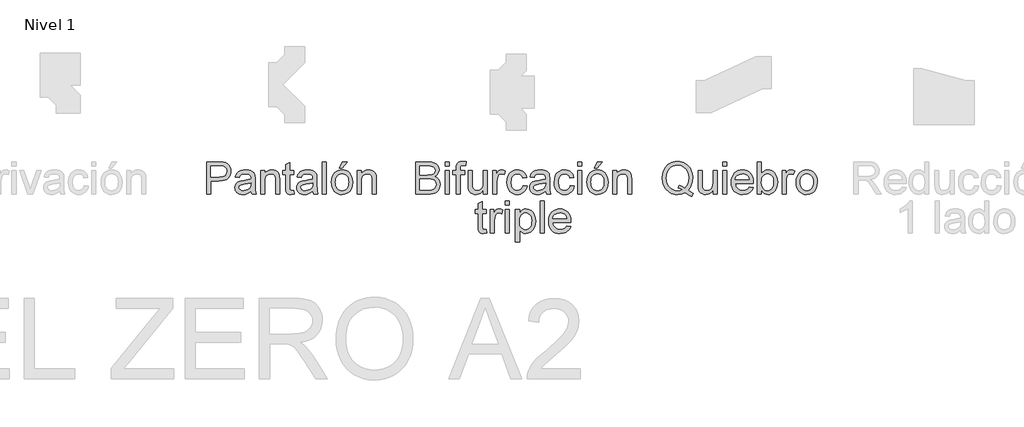
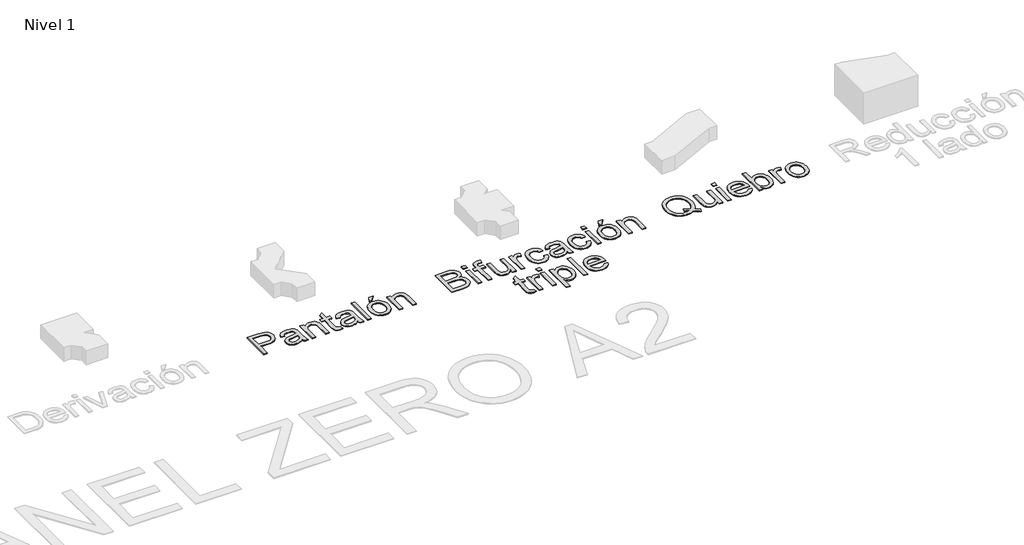
# One storey, part 4 of 6: 3 proxies.
"""IFC4 building model written with IfcOpenShell, lengths in millimetres."""

from ifc_helpers import new_model, si_unit, origin, origin_with_axes, place, context, project, spatial, polyline, outline, extrude, element, save

model = new_model("IFC4")

# Units and contexts
model_context = context("Model", 3, world=origin())
ifc_project = project(units=[si_unit("LENGTHUNIT", "METRE", prefix="MILLI")], contexts=[model_context])

# Site, building, storey
site = spatial("IfcSite", under=ifc_project)
building = spatial("IfcBuilding", under=site)
storey = spatial("IfcBuildingStorey", under=building, Name="Nivel 1", Elevation=0.0)

# Proxies
placement = place(None, origin())
element("IfcBuildingElementProxy", 1, Name="Texto de modelo 1", ObjectType="Texto de modelo 1", at=placement, inside=storey, context=model_context, shape_type="SweptSolid", body=[
    extrude(outline(polyline([(-3306.4154032, -1016.3248037), (-3306.4154032, -614.4995631), (-3157.4967716, -614.4995631), (-3097.4584299, -618.3255358), (-3070.6888834, -625.4747093), (-3048.6527519, -637.1120431), (-3030.908577, -653.7648347), (-3017.0149003, -675.9603818), (-3008.0385796, -702.1413171), (-3005.0464728, -730.7502736), (-3007.066758, -755.4167613), (-3013.1276139, -778.1089491), (-3023.2290404, -798.8268368), (-3037.3710374, -817.5704244), (-3056.7860097, -833.1073074), (-3082.7063619, -844.2050809), (-3115.1320941, -850.863745), (-3154.0632063, -853.0832997), (-3256.1872481, -853.0832997), (-3256.1872481, -1016.3248037), (-3306.4154032, -1016.3248037)]), holes=[polyline([(-3256.1872481, -802.8551446), (-3151.1201503, -802.8551446), (-3106.5819034, -798.244357), (-3089.9781627, -792.4808724), (-3077.1513438, -784.4119939), (-3067.5802806, -774.2523195), (-3060.7438068, -762.2164469), (-3055.2746278, -732.5161071), (-3058.4997267, -709.9526781), (-3068.1750231, -690.9209162), (-3083.0987694, -676.5980439), (-3102.0692176, -668.1612835), (-3152.2973727, -664.7277182), (-3256.1872481, -664.7277182), (-3256.1872481, -802.8551446)])]), origin_with_axes(), (0.0, 0.0, 1.0), 10.0),
    extrude(outline(polyline([(-2753.9056974, -978.6536874), (-2777.9038662, -999.2305537), (-2802.6132735, -1012.6950347), (-2828.5980051, -1020.126251), (-2856.4221467, -1022.6033231), (-2878.7863063, -1021.113401), (-2898.3974824, -1016.6436348), (-2915.2556748, -1009.1940244), (-2929.3608836, -998.7645698), (-2940.498511, -986.0174587), (-2948.4539592, -971.6148785), (-2953.227228, -955.5568295), (-2954.8183177, -937.8433114), (-2952.414822, -917.0211905), (-2945.2043349, -898.1120559), (-2934.0820359, -881.9252481), (-2919.9431045, -869.2701075), (-2903.3271011, -859.7051756), (-2884.7735858, -852.7889941), (-2841.3144594, -845.2351505), (-2789.9581329, -837.2888994), (-2754.200003, -827.9692222), (-2753.9056974, -816.7856095), (-2757.3637881, -794.3693333), (-2767.7380604, -779.7031044), (-2790.9391516, -768.8137973), (-2823.2637162, -765.1840283), (-2853.1847851, -767.5997868), (-2874.0804825, -774.8470621), (-2888.3297784, -788.2502294), (-2898.3116432, -809.133664), (-2948.5397983, -802.8551446), (-2939.820995, -775.3866223), (-2926.8102351, -753.8042119), (-2908.293508, -737.2985731), (-2883.0568032, -725.0603654), (-2852.1915038, -717.4819963), (-2816.7889931, -714.9558732), (-2782.8334849, -717.1876907), (-2755.9167856, -723.883143), (-2735.6219622, -733.9508469), (-2721.5320818, -746.2994192), (-2712.1878791, -761.566522), (-2706.1300889, -780.3898175), (-2703.6775423, -824.3394531), (-2703.6775423, -886.8303414), (-2701.1268938, -974.0919506), (-2691.1205035, -1016.3248037), (-2741.3486586, -1016.3248037), (-2749.3930116, -998.8626717), (-2753.9056974, -978.6536874)]), holes=[polyline([(-2753.9056974, -878.1973772), (-2787.6527391, -886.5605613), (-2834.9378382, -893.5993701), (-2878.1517099, -901.7418249), (-2889.3966362, -907.3091058), (-2897.723032, -914.9855768), (-2902.87338, -924.1826266), (-2904.5901626, -934.3116442), (-2900.850029, -949.2476532), (-2889.6296281, -961.4858609), (-2871.1742147, -969.6528412), (-2845.7290434, -972.375168), (-2818.7510304, -969.3707984), (-2794.9122771, -960.3576895), (-2775.5862096, -947.0771495), (-2762.1462541, -931.2704864), (-2756.1865657, -914.9855768), (-2754.200003, -892.4221477), (-2753.9056974, -878.1973772)])]), origin_with_axes(), (0.0, 0.0, 1.0), 10.0),
    extrude(outline(polyline([(-2634.6138291, -1016.3248037), (-2634.6138291, -721.2343926), (-2584.385674, -721.2343926), (-2584.385674, -762.4371761), (-2566.9358047, -741.6641061), (-2545.9787937, -726.826199), (-2521.514641, -717.9234547), (-2493.5433467, -714.9558732), (-2468.7848884, -717.3471062), (-2446.1110947, -724.5208051), (-2427.2019602, -735.5817904), (-2413.7374792, -749.6348827), (-2404.601743, -766.6432936), (-2398.6788428, -786.570235), (-2396.0300925, -835.1306583), (-2396.0300925, -1016.3248037), (-2446.2582475, -1016.3248037), (-2446.2582475, -841.899687), (-2447.7052501, -815.9272182), (-2452.0462576, -797.459542), (-2460.0538224, -784.2280529), (-2472.5004965, -773.9641453), (-2488.4543124, -767.3790576), (-2506.9833022, -765.1840283), (-2536.4015991, -770.1136471), (-2561.4788884, -784.9025033), (-2571.5006071, -796.9751641), (-2578.6589776, -813.4746716), (-2582.9539999, -834.4010257), (-2584.385674, -859.7542265), (-2584.385674, -1016.3248037), (-2634.6138291, -1016.3248037)])), origin_with_axes(), (0.0, 0.0, 1.0), 10.0),
    extrude(outline(polyline([(-2220.2315497, -974.4353072), (-2213.9530303, -1017.7963317), (-2251.5260448, -1022.6033231), (-2275.6345782, -1020.5186584), (-2293.611745, -1014.2646645), (-2306.3159366, -1004.6261562), (-2314.6055442, -992.3879485), (-2319.1672809, -971.3696239), (-2320.6878599, -935.3907648), (-2320.6878599, -771.4625477), (-2358.3589762, -771.4625477), (-2358.3589762, -721.2343926), (-2320.6878599, -721.2343926), (-2320.6878599, -649.521929), (-2270.4597048, -619.9932676), (-2270.4597048, -721.2343926), (-2220.2315497, -721.2343926), (-2220.2315497, -771.4625477), (-2270.4597048, -771.4625477), (-2270.4597048, -933.9192368), (-2267.8109544, -959.8181292), (-2259.2270412, -968.9906536), (-2242.1082657, -972.375168), (-2220.2315497, -974.4353072)])), origin_with_axes(), (0.0, 0.0, 1.0), 10.0),
    extrude(outline(polyline([(-1981.6478131, -978.6536874), (-2005.6459819, -999.2305537), (-2030.3553893, -1012.6950347), (-2056.3401209, -1020.126251), (-2084.1642624, -1022.6033231), (-2106.528422, -1021.113401), (-2126.1395981, -1016.6436348), (-2142.9977905, -1009.1940244), (-2157.1029993, -998.7645698), (-2168.2406267, -986.0174587), (-2176.1960749, -971.6148785), (-2180.9693438, -955.5568295), (-2182.5604334, -937.8433114), (-2180.1569377, -917.0211905), (-2172.9464506, -898.1120559), (-2161.8241516, -881.9252481), (-2147.6852203, -869.2701075), (-2131.0692168, -859.7051756), (-2112.5157015, -852.7889941), (-2069.0565752, -845.2351505), (-2017.7002486, -837.2888994), (-1981.9421187, -827.9692222), (-1981.6478131, -816.7856095), (-1985.1059039, -794.3693333), (-1995.4801761, -779.7031044), (-2018.6812673, -768.8137973), (-2051.0058319, -765.1840283), (-2080.9269009, -767.5997868), (-2101.8225982, -774.8470621), (-2116.0718941, -788.2502294), (-2126.0537589, -809.133664), (-2176.281914, -802.8551446), (-2167.5631107, -775.3866223), (-2154.5523508, -753.8042119), (-2136.0356237, -737.2985731), (-2110.7989189, -725.0603654), (-2079.9336195, -717.4819963), (-2044.5311088, -714.9558732), (-2010.5756007, -717.1876907), (-1983.6589013, -723.883143), (-1963.3640779, -733.9508469), (-1949.2741975, -746.2994192), (-1939.9299948, -761.566522), (-1933.8722047, -780.3898175), (-1931.419658, -824.3394531), (-1931.419658, -886.8303414), (-1928.8690095, -974.0919506), (-1918.8626193, -1016.3248037), (-1969.0907743, -1016.3248037), (-1977.1351273, -998.8626717), (-1981.6478131, -978.6536874)]), holes=[polyline([(-1981.6478131, -878.1973772), (-2015.3948548, -886.5605613), (-2062.6799539, -893.5993701), (-2105.8938256, -901.7418249), (-2117.1387519, -907.3091058), (-2125.4651478, -914.9855768), (-2130.6154957, -924.1826266), (-2132.3322783, -934.3116442), (-2128.5921447, -949.2476532), (-2117.3717439, -961.4858609), (-2098.9163304, -969.6528412), (-2073.4711591, -972.375168), (-2046.4931461, -969.3707984), (-2022.6543928, -960.3576895), (-2003.3283254, -947.0771495), (-1989.8883698, -931.2704864), (-1983.9286815, -914.9855768), (-1981.9421187, -892.4221477), (-1981.6478131, -878.1973772)])]), origin_with_axes(), (0.0, 0.0, 1.0), 10.0),
    extrude(outline(polyline([(-1862.3559448, -1016.3248037), (-1862.3559448, -614.4995631), (-1812.1277897, -614.4995631), (-1812.1277897, -1016.3248037), (-1862.3559448, -1016.3248037)])), origin_with_axes(), (0.0, 0.0, 1.0), 10.0),
    extrude(outline(polyline([(-1655.1648051, -689.8417957), (-1617.4936888, -614.4995631), (-1554.708495, -614.4995631), (-1617.4936888, -689.8417957), (-1655.1648051, -689.8417957)])), origin_with_axes(), (0.0, 0.0, 1.0), 10.0),
    extrude(outline(polyline([(-1749.3425959, -868.7795982), (-1746.6264005, -830.5627902), (-1738.4778143, -797.6312203), (-1724.8968373, -769.9848884), (-1705.8834695, -747.6237944), (-1686.741343, -733.3315789), (-1665.6126538, -723.1228535), (-1642.4974017, -716.9976183), (-1617.3955869, -714.9558732), (-1589.6848757, -717.4421424), (-1564.6290461, -724.9009498), (-1542.2280983, -737.3322956), (-1522.4820322, -754.7361797), (-1506.3657351, -776.5239908), (-1494.8540944, -802.1071179), (-1487.9471099, -831.4855609), (-1485.6447817, -864.6593198), (-1489.7160092, -915.4025097), (-1501.9296914, -954.0301192), (-1521.9302092, -982.9579067), (-1549.3619433, -1004.6016308), (-1581.9440253, -1018.1029), (-1617.3955869, -1022.6033231), (-1645.5109684, -1020.126251), (-1670.7997899, -1012.6950347), (-1693.2620514, -1000.3096742), (-1712.8977529, -982.9701695), (-1728.8423717, -960.9708262), (-1740.2313851, -934.6059498), (-1747.0647932, -903.8755405), (-1749.3425959, -868.7795982)]), holes=[polyline([(-1699.1144408, -868.6814963), (-1697.6613069, -893.0444814), (-1693.3019053, -914.1394482), (-1686.0362359, -931.9663965), (-1675.8642987, -946.5253265), (-1663.4912009, -957.8346321), (-1649.6220497, -965.9127076), (-1634.2568451, -970.7595529), (-1617.3955869, -972.375168), (-1600.620168, -970.7503559), (-1585.316277, -965.8759194), (-1571.4839139, -957.7518587), (-1559.1230789, -946.3781737), (-1548.9511417, -931.6751566), (-1541.6854723, -913.5630997), (-1537.3260707, -892.042003), (-1535.8729368, -867.1118665), (-1537.3352677, -843.5214335), (-1541.7222605, -822.9782898), (-1549.0339152, -805.4824352), (-1559.2702317, -791.0338698), (-1571.677052, -779.7245642), (-1585.500218, -771.6464887), (-1600.7397296, -766.7996434), (-1617.3955869, -765.1840283), (-1634.2568451, -766.793512), (-1649.6220497, -771.6219632), (-1663.4912009, -779.6693819), (-1675.8642987, -790.935768), (-1686.0362359, -805.4517784), (-1693.3019053, -823.2480699), (-1697.6613069, -844.3246425), (-1699.1144408, -868.6814963)])]), origin_with_axes(), (0.0, 0.0, 1.0), 10.0),
    extrude(outline(polyline([(-1429.1381073, -1016.3248037), (-1429.1381073, -721.2343926), (-1378.9099522, -721.2343926), (-1378.9099522, -762.4371761), (-1361.4600829, -741.6641061), (-1340.5030719, -726.826199), (-1316.0389192, -717.9234547), (-1288.0676249, -714.9558732), (-1263.3091666, -717.3471062), (-1240.635373, -724.5208051), (-1221.7262384, -735.5817904), (-1208.2617574, -749.6348827), (-1199.1260212, -766.6432936), (-1193.203121, -786.570235), (-1190.5543707, -835.1306583), (-1190.5543707, -1016.3248037), (-1240.7825257, -1016.3248037), (-1240.7825257, -841.899687), (-1242.2295283, -815.9272182), (-1246.5705358, -797.459542), (-1254.5781006, -784.2280529), (-1267.0247747, -773.9641453), (-1282.9785906, -767.3790576), (-1301.5075804, -765.1840283), (-1330.9258773, -770.1136471), (-1356.0031666, -784.9025033), (-1366.0248853, -796.9751641), (-1373.1832558, -813.4746716), (-1377.4782781, -834.4010257), (-1378.9099522, -859.7542265), (-1378.9099522, -1016.3248037), (-1429.1381073, -1016.3248037)])), origin_with_axes(), (0.0, 0.0, 1.0), 10.0),
])
element("IfcBuildingElementProxy", 2, Name="Texto de modelo 1", ObjectType="Texto de modelo 1", at=placement, inside=storey, context=model_context, shape_type="SweptSolid", body=[
    extrude(outline(polyline([(2702.1788661, -968.1567878), (2734.6260581, -992.9520343), (2764.4735506, -1010.0462843), (2750.9354932, -1046.8344838), (2709.5119805, -1027.6310437), (2668.2356207, -999.8436903), (2621.759862, -1016.9134149), (2570.6242646, -1022.6033231), (2544.3145706, -1020.9631825), (2519.2434126, -1016.0427608), (2495.4107907, -1007.842058), (2472.8167048, -996.3610741), (2452.1080142, -981.909443), (2433.931578, -964.7967989), (2418.2873961, -945.0231417), (2405.1754687, -922.5884713), (2394.8103935, -898.072202), (2387.4067683, -872.0537479), (2381.4838682, -815.5102853), (2387.3945056, -758.9177717), (2394.7828023, -732.6172747), (2405.1264177, -707.6472843), (2418.1984913, -684.7926153), (2433.7721624, -664.8380828), (2451.8474311, -647.7836866), (2472.4242974, -633.6294268), (2494.9018873, -622.5132592), (2518.6793269, -614.5731395), (2543.7566163, -609.8090677), (2570.1337553, -608.2210437), (2596.7346892, -609.8458559), (2621.9928539, -614.7202923), (2645.9082493, -622.844353), (2668.4808754, -634.218038), (2689.0792014, -648.5163849), (2707.0716966, -665.4144312), (2722.4583611, -684.912177), (2735.2391947, -707.0096222), (2745.2823732, -731.1549438), (2752.4560721, -756.7963188), (2758.1950312, -812.5672293), (2754.712415, -858.9448862), (2744.2645664, -900.3683988), (2726.7779089, -936.7887163), (2702.1788661, -968.1567878)]), holes=[polyline([(2584.4566277, -901.3494175), (2626.6894807, -917.3154961), (2660.7798789, -939.5110431), (2681.4241902, -916.2118501), (2696.1701269, -887.7132582), (2705.0176888, -854.0152674), (2707.9668762, -815.1178778), (2703.7975469, -770.9107247), (2691.2895591, -732.6632599), (2670.749481, -701.3442394), (2642.483881, -677.9224191), (2608.4057455, -663.3175039), (2570.4280609, -658.4491988), (2541.7823162, -660.9109425), (2515.68722, -668.2961735), (2492.1427723, -680.6048919), (2471.1489731, -697.8370977), (2453.8953076, -719.9560027), (2441.5712607, -746.9248186), (2434.1768326, -778.7435455), (2431.7120233, -815.4121834), (2434.1492415, -851.1243281), (2441.4608961, -882.4280202), (2453.6469872, -909.3232597), (2470.7075147, -931.8100467), (2491.5572268, -949.5572873), (2515.1108716, -962.2338877), (2541.368449, -969.8398479), (2570.329959, -972.375168), (2598.2154143, -969.799994), (2624.3840869, -962.0744721), (2598.6568727, -948.708093), (2571.5071814, -939.8053487), (2584.4566277, -901.3494175)])]), origin_with_axes(), (0.0, 0.0, 1.0), 10.0),
    extrude(outline(polyline([(3015.614326, -1016.3248037), (3015.614326, -965.6061393), (2997.4409554, -990.5424072), (2976.275478, -1008.3540271), (2952.1178936, -1019.0409991), (2924.9682024, -1022.6033231), (2900.5040497, -1020.1017255), (2877.7321542, -1012.5969328), (2858.6268159, -1001.3152183), (2845.1623349, -987.4828553), (2836.1001751, -970.6829108), (2830.2018004, -950.498452), (2827.2587445, -903.8019641), (2827.2587445, -721.2343926), (2877.4868995, -721.2343926), (2877.4868995, -880.1594145), (2880.5280574, -931.3685883), (2887.8489091, -948.4505756), (2900.3936851, -961.43681), (2917.3285196, -969.6405785), (2937.8195468, -972.375168), (2959.4877963, -969.5792648), (2979.7580942, -961.1915554), (2996.4721995, -947.9845917), (3007.4718712, -930.7309262), (3013.5787123, -907.1006393), (3015.614326, -874.763812), (3015.614326, -721.2343926), (3065.8424811, -721.2343926), (3065.8424811, -1016.3248037), (3015.614326, -1016.3248037)])), origin_with_axes(), (0.0, 0.0, 1.0), 10.0),
    extrude(outline(polyline([(3134.9061943, -664.7277182), (3134.9061943, -614.4995631), (3185.1343494, -614.4995631), (3185.1343494, -664.7277182), (3134.9061943, -664.7277182)])), origin_with_axes(), (0.0, 0.0, 1.0), 10.0),
    extrude(outline(polyline([(3134.9061943, -1016.3248037), (3134.9061943, -721.2343926), (3185.1343494, -721.2343926), (3185.1343494, -1016.3248037), (3134.9061943, -1016.3248037)])), origin_with_axes(), (0.0, 0.0, 1.0), 10.0),
    extrude(outline(polyline([(3467.0791105, -928.4255323), (3516.3262469, -934.7040517), (3508.775469, -954.428658), (3498.582072, -971.8110823), (3485.7460561, -986.8513245), (3470.2674211, -999.5493847), (3452.3055827, -1009.6354827), (3432.0199563, -1016.8398385), (3384.4773398, -1022.6033231), (3353.3116035, -1020.1170539), (3325.5426442, -1012.6582465), (3301.170462, -1000.2269007), (3280.1950569, -982.8230167), (3263.3276675, -960.9309723), (3251.2795321, -935.0351455), (3244.0506509, -905.1355363), (3241.6410238, -871.2321448), (3244.0751764, -836.179122), (3251.377634, -805.2831658), (3263.5483966, -778.5442761), (3280.5874644, -755.962453), (3301.5076872, -738.0220743), (3325.321915, -725.2075182), (3352.0301479, -717.5187845), (3381.6323857, -714.9558732), (3410.2811961, -717.5126531), (3436.1892856, -725.1829927), (3459.3566543, -737.966892), (3479.783302, -755.8643511), (3496.4575535, -778.3971233), (3508.3677331, -805.0869621), (3515.5138408, -835.9338674), (3517.8958767, -870.9378392), (3517.6015712, -884.4758966), (3291.8691789, -884.4758966), (3294.7785124, -904.519334), (3300.5634567, -922.0734365), (3309.224012, -937.1382042), (3320.7601783, -949.7136371), (3334.5342933, -959.6280569), (3349.908695, -966.7097853), (3385.4583585, -972.375168), (3412.1911168, -969.7509431), (3434.7054949, -961.8782684), (3453.0014928, -948.2666346), (3467.0791105, -928.4255323)]), holes=[polyline([(3291.8691789, -834.2477415), (3467.6677217, -834.2477415), (3460.8741675, -807.711187), (3447.5568393, -788.728476), (3433.8593663, -778.4277801), (3418.2734325, -771.0701402), (3400.7990377, -766.6555563), (3381.436182, -765.1840283), (3347.5787757, -769.8806551), (3319.5829559, -783.9705355), (3300.1219983, -805.9330907), (3291.8691789, -834.2477415)])]), origin_with_axes(), (0.0, 0.0, 1.0), 10.0),
    extrude(outline(polyline([(3618.3521869, -1016.3248037), (3568.1240318, -1016.3248037), (3568.1240318, -614.4995631), (3618.3521869, -614.4995631), (3618.3521869, -763.5162966), (3634.8700885, -742.2711114), (3653.5217056, -727.0959791), (3674.3070384, -717.9908997), (3697.2260867, -714.9558732), (3723.1004537, -717.6904627), (3747.5523436, -725.8942312), (3769.1838049, -739.0521439), (3786.596886, -756.649166), (3800.245308, -778.5136193), (3810.5827921, -804.4738254), (3817.0943034, -833.4506639), (3819.2648072, -864.3650142), (3817.0176613, -900.037305), (3810.2762238, -931.4176392), (3799.0404945, -958.5060168), (3783.3104735, -981.3024378), (3764.4289301, -999.3715751), (3743.7386336, -1012.2781017), (3721.2395839, -1020.0220177), (3696.9317811, -1022.6033231), (3673.2585747, -1019.273991), (3652.2709069, -1009.2859949), (3633.9687776, -992.6393346), (3618.3521869, -969.3340102), (3618.3521869, -1016.3248037)]), holes=[polyline([(3618.3521869, -866.719459), (3621.7857522, -908.6089555), (3632.0864481, -936.9603946), (3644.2572107, -952.454358), (3658.4022734, -963.5214747), (3674.5216362, -970.1617447), (3692.615299, -972.375168), (3707.6371471, -970.7442245), (3721.6044002, -965.851394), (3734.5170582, -957.6966764), (3746.3751212, -946.2800718), (3756.289541, -931.632237), (3763.3712694, -913.7838289), (3767.6203064, -892.7348474), (3769.0366521, -868.4852926), (3763.6042613, -822.5245686), (3756.8137728, -804.7313428), (3747.3070889, -790.3962077), (3735.8751559, -779.3658792), (3723.3089201, -771.4870732), (3709.6083815, -766.7597895), (3694.77354, -765.1840283), (3679.7516919, -766.8149718), (3665.7844388, -771.7078024), (3652.8717808, -779.8625199), (3641.0137178, -791.2791245), (3631.099298, -805.7798065), (3624.0175696, -823.1867562), (3619.7685326, -843.4999737), (3618.3521869, -866.719459)])]), origin_with_axes(), (0.0, 0.0, 1.0), 10.0),
    extrude(outline(polyline([(3875.7714817, -1016.3248037), (3875.7714817, -721.2343926), (3919.7211173, -721.2343926), (3919.7211173, -764.8897227), (3935.9569761, -739.5794415), (3950.9175105, -724.6679579), (3965.9270959, -717.3838944), (3982.3101075, -714.9558732), (4007.3260831, -718.8308969), (4032.7344663, -730.455968), (4015.9590473, -775.4847242), (3998.3007115, -767.7592023), (3980.6423757, -765.1840283), (3965.6450531, -767.6611004), (3952.2418857, -775.0923167), (3941.4138923, -786.9135915), (3934.1420916, -802.560839), (3928.0352504, -830.6179725), (3925.9996367, -861.2257545), (3925.9996367, -1016.3248037), (3875.7714817, -1016.3248037)])), origin_with_axes(), (0.0, 0.0, 1.0), 10.0),
    extrude(outline(polyline([(4051.5700244, -868.7795982), (4054.2862198, -830.5627902), (4062.434806, -797.6312203), (4076.015783, -769.9848884), (4095.0291508, -747.6237944), (4114.1712773, -733.3315789), (4135.2999665, -723.1228535), (4158.4152185, -716.9976183), (4183.5170334, -714.9558732), (4211.2277446, -717.4421424), (4236.2835742, -724.9009498), (4258.684522, -737.3322956), (4278.4305881, -754.7361797), (4294.5468852, -776.5239908), (4306.0585259, -802.1071179), (4312.9655104, -831.4855609), (4315.2678386, -864.6593198), (4311.1966111, -915.4025097), (4298.9829289, -954.0301192), (4278.9824111, -982.9579067), (4251.550677, -1004.6016308), (4218.968595, -1018.1029), (4183.5170334, -1022.6033231), (4155.4016519, -1020.126251), (4130.1128304, -1012.6950347), (4107.6505689, -1000.3096742), (4088.0148674, -982.9701695), (4072.0702486, -960.9708262), (4060.6812352, -934.6059498), (4053.8478271, -903.8755405), (4051.5700244, -868.7795982)]), holes=[polyline([(4101.7981795, -868.6814963), (4103.2513134, -893.0444814), (4107.610715, -914.1394482), (4114.8763844, -931.9663965), (4125.0483216, -946.5253265), (4137.4214194, -957.8346321), (4151.2905706, -965.9127076), (4166.6557752, -970.7595529), (4183.5170334, -972.375168), (4200.2924523, -970.7503559), (4215.5963433, -965.8759194), (4229.4287064, -957.7518587), (4241.7895414, -946.3781737), (4251.9614786, -931.6751566), (4259.227148, -913.5630997), (4263.5865496, -892.042003), (4265.0396835, -867.1118665), (4263.5773526, -843.5214335), (4259.1903598, -822.9782898), (4251.8787051, -805.4824352), (4241.6423886, -791.0338698), (4229.2355683, -779.7245642), (4215.4124023, -771.6464887), (4200.1728907, -766.7996434), (4183.5170334, -765.1840283), (4166.6557752, -766.793512), (4151.2905706, -771.6219632), (4137.4214194, -779.6693819), (4125.0483216, -790.935768), (4114.8763844, -805.4517784), (4107.610715, -823.2480699), (4103.2513134, -844.3246425), (4101.7981795, -868.6814963)])]), origin_with_axes(), (0.0, 0.0, 1.0), 10.0),
])
element("IfcBuildingElementProxy", 3, Name="Texto de modelo 1", ObjectType="Texto de modelo 1", at=placement, inside=storey, context=model_context, shape_type="SweptSolid", body=[
    extrude(outline(polyline([(-695.2272949, -1016.3248037), (-695.2272949, -614.4995631), (-541.8940793, -614.4995631), (-499.7225399, -617.4548818), (-466.7971013, -626.3208379), (-441.5603965, -641.3181605), (-422.4550582, -662.667579), (-410.4253169, -687.7816565), (-406.4154032, -714.0729565), (-409.7876548, -738.267329), (-419.9044097, -761.014699), (-436.8392442, -780.917115), (-460.6657348, -796.5766252), (-432.2039311, -811.4390578), (-411.1733437, -834.0515378), (-398.1871092, -862.9180117), (-393.8583644, -896.5424261), (-396.8136831, -924.5627714), (-405.6796392, -950.547503), (-418.9111283, -972.6449481), (-434.963046, -989.0034342), (-454.6202073, -1000.8492344), (-478.6674271, -1009.4086222), (-507.8895202, -1014.5957583), (-543.0713017, -1016.3248037), (-695.2272949, -1016.3248037)]), holes=[polyline([(-644.9991398, -777.7410671), (-553.2738957, -777.7410671), (-499.7102772, -773.424585), (-480.9605582, -765.981106), (-467.4838144, -754.8342815), (-459.3536223, -740.1557899), (-456.6435583, -722.1173094), (-459.1696813, -704.6061264), (-466.7480504, -689.3512864), (-479.035309, -677.4441725), (-495.6881007, -669.976168), (-521.2436366, -666.0398306), (-560.2391281, -664.7277182), (-644.9991398, -664.7277182), (-644.9991398, -777.7410671)]), polyline([(-644.9991398, -966.0966486), (-541.9921812, -966.0966486), (-504.7134723, -964.1346113), (-473.1737226, -953.1962533), (-461.5977025, -943.7662115), (-452.2780253, -930.8780789), (-446.1343959, -915.1082041), (-444.0865195, -897.0329354), (-446.4900152, -876.0391362), (-453.7005023, -857.988393), (-466.2943293, -843.8739871), (-484.8478446, -834.6891999), (-511.1268818, -829.6492166), (-546.8972744, -827.9692222), (-644.9991398, -827.9692222), (-644.9991398, -966.0966486)])]), origin_with_axes(), (0.0, 0.0, 1.0), 10.0),
    extrude(outline(polyline([(-331.0731706, -664.7277182), (-331.0731706, -614.4995631), (-280.8450155, -614.4995631), (-280.8450155, -664.7277182), (-331.0731706, -664.7277182)])), origin_with_axes(), (0.0, 0.0, 1.0), 10.0),
    extrude(outline(polyline([(-331.0731706, -1016.3248037), (-331.0731706, -721.2343926), (-280.8450155, -721.2343926), (-280.8450155, -1016.3248037), (-331.0731706, -1016.3248037)])), origin_with_axes(), (0.0, 0.0, 1.0), 10.0),
    extrude(outline(polyline([(-192.9457441, -1016.3248037), (-192.9457441, -771.4625477), (-236.8953798, -771.4625477), (-236.8953798, -721.2343926), (-192.9457441, -721.2343926), (-192.9457441, -691.5095274), (-191.621369, -666.9104847), (-187.6482434, -649.6200309), (-177.5437513, -632.9181883), (-161.9455547, -619.698962), (-140.1178896, -611.0905233), (-111.3249921, -608.2210437), (-65.511421, -613.7147482), (-72.8690609, -660.8036436), (-101.8091112, -658.4491988), (-120.9021867, -660.5338634), (-133.4469628, -666.7878573), (-140.3999325, -678.7317595), (-142.7175891, -697.8861487), (-142.7175891, -721.2343926), (-86.2109146, -721.2343926), (-86.2109146, -771.4625477), (-142.7175891, -771.4625477), (-142.7175891, -1016.3248037), (-192.9457441, -1016.3248037)])), origin_with_axes(), (0.0, 0.0, 1.0), 10.0),
    extrude(outline(polyline([(146.0943026, -1016.3248037), (146.0943026, -965.6061393), (127.9209321, -990.5424072), (106.7554546, -1008.3540271), (82.5978703, -1019.0409991), (55.448179, -1022.6033231), (30.9840263, -1020.1017255), (8.2121308, -1012.5969328), (-10.8932075, -1001.3152183), (-24.3576885, -987.4828553), (-33.4198483, -970.6829108), (-39.3182229, -950.498452), (-42.2612789, -903.8019641), (-42.2612789, -721.2343926), (7.9668762, -721.2343926), (7.9668762, -880.1594145), (11.008034, -931.3685883), (18.3288857, -948.4505756), (30.8736617, -961.43681), (47.8084962, -969.6405785), (68.2995234, -972.375168), (89.9677729, -969.5792648), (110.2380708, -961.1915554), (126.9521761, -947.9845917), (137.9518478, -930.7309262), (144.0586889, -907.1006393), (146.0943026, -874.763812), (146.0943026, -721.2343926), (196.3224577, -721.2343926), (196.3224577, -1016.3248037), (146.0943026, -1016.3248037)])), origin_with_axes(), (0.0, 0.0, 1.0), 10.0),
    extrude(outline(polyline([(265.3861709, -1016.3248037), (265.3861709, -721.2343926), (309.3358066, -721.2343926), (309.3358066, -764.8897227), (325.5716653, -739.5794415), (340.5321998, -724.6679579), (355.5417852, -717.3838944), (371.9247967, -714.9558732), (396.9407724, -718.8308969), (422.3491555, -730.455968), (405.5737366, -775.4847242), (387.9154008, -767.7592023), (370.257065, -765.1840283), (355.2597423, -767.6611004), (341.856575, -775.0923167), (331.0285816, -786.9135915), (323.7567808, -802.560839), (317.6499397, -830.6179725), (315.614326, -861.2257545), (315.614326, -1016.3248037), (265.3861709, -1016.3248037)])), origin_with_axes(), (0.0, 0.0, 1.0), 10.0),
    extrude(outline(polyline([(642.097334, -909.5899742), (692.3254891, -915.8684935), (686.8624414, -939.5692911), (678.3214478, -960.5416305), (666.7025081, -978.7855118), (652.0056224, -994.3009349), (634.8500587, -1006.6832297), (615.855085, -1015.527726), (595.0207013, -1020.8344238), (572.3469077, -1022.6033231), (544.1763439, -1020.135448), (518.9181793, -1012.7318229), (496.5724137, -1000.3924476), (477.1390473, -983.1173223), (461.4090264, -961.2314092), (450.1732971, -935.059671), (443.4318595, -904.6021074), (441.1847137, -869.8587187), (445.0229492, -825.1610563), (456.5376556, -786.4230822), (475.912774, -755.1408499), (503.3322454, -732.8104127), (536.1350566, -719.4195081), (571.6601946, -714.9558732), (593.9446465, -716.4887149), (614.1015142, -721.0872398), (632.1307976, -728.7514481), (648.0324968, -739.4813396), (661.5368317, -753.0316597), (672.3740222, -769.1571539), (680.5440682, -787.857822), (686.0469697, -809.133664), (635.8188146, -815.4121834), (626.7076039, -793.4986792), (612.5196216, -777.790118), (594.0396827, -768.3355507), (572.0526021, -765.1840283), (554.9859432, -766.7352641), (539.5931474, -771.3889713), (525.8742147, -779.14515), (513.829145, -790.0038003), (504.0220241, -804.216308), (497.0169378, -822.0340593), (492.813886, -843.4570542), (491.4128688, -868.4852926), (496.8943105, -915.5619252), (503.7461126, -933.4992382), (513.3386357, -947.7025489), (525.144582, -958.4968197), (538.6366542, -966.2070132), (553.8148522, -970.8331293), (570.679176, -972.375168), (596.688433, -968.5246698), (618.013326, -956.9731751), (633.5256835, -937.4263785), (642.097334, -909.5899742)])), origin_with_axes(), (0.0, 0.0, 1.0), 10.0),
    extrude(outline(polyline([(924.6307063, -978.6536874), (900.6325375, -999.2305537), (875.9231301, -1012.6950347), (849.9383985, -1020.126251), (822.114257, -1022.6033231), (799.7500973, -1021.113401), (780.1389213, -1016.6436348), (763.2807289, -1009.1940244), (749.17552, -998.7645698), (738.0378926, -986.0174587), (730.0824445, -971.6148785), (725.3091756, -955.5568295), (723.718086, -937.8433114), (726.1215817, -917.0211905), (733.3320688, -898.1120559), (744.4543678, -881.9252481), (758.5932991, -869.2701075), (775.2093026, -859.7051756), (793.7628179, -852.7889941), (837.2219442, -845.2351505), (888.5782708, -837.2888994), (924.3364007, -827.9692222), (924.6307063, -816.7856095), (921.1726155, -794.3693333), (910.7983433, -779.7031044), (887.5972521, -768.8137973), (855.2726875, -765.1840283), (825.3516185, -767.5997868), (804.4559212, -774.8470621), (790.2066252, -788.2502294), (780.2247604, -809.133664), (729.9966054, -802.8551446), (738.7154087, -775.3866223), (751.7261685, -753.8042119), (770.2428956, -737.2985731), (795.4796005, -725.0603654), (826.3448999, -717.4819963), (861.7474106, -714.9558732), (895.7029187, -717.1876907), (922.619618, -723.883143), (942.9144414, -733.9508469), (957.0043219, -746.2994192), (966.3485245, -761.566522), (972.4063147, -780.3898175), (974.8588614, -824.3394531), (974.8588614, -886.8303414), (977.4095099, -974.0919506), (987.4159001, -1016.3248037), (937.1877451, -1016.3248037), (929.1433921, -998.8626717), (924.6307063, -978.6536874)]), holes=[polyline([(924.6307063, -878.1973772), (890.8836646, -886.5605613), (843.5985655, -893.5993701), (800.3846938, -901.7418249), (789.1397675, -907.3091058), (780.8133716, -914.9855768), (775.6630237, -924.1826266), (773.9462411, -934.3116442), (777.6863747, -949.2476532), (788.9067755, -961.4858609), (807.362189, -969.6528412), (832.8073603, -972.375168), (859.7853733, -969.3707984), (883.6241266, -960.3576895), (902.950194, -947.0771495), (916.3901496, -931.2704864), (922.3498379, -914.9855768), (924.3364007, -892.4221477), (924.6307063, -878.1973772)])]), origin_with_axes(), (0.0, 0.0, 1.0), 10.0),
    extrude(outline(polyline([(1232.2781561, -909.5899742), (1282.5063112, -915.8684935), (1277.0432636, -939.5692911), (1268.5022699, -960.5416305), (1256.8833302, -978.7855118), (1242.1864445, -994.3009349), (1225.0308808, -1006.6832297), (1206.0359071, -1015.527726), (1185.2015235, -1020.8344238), (1162.5277298, -1022.6033231), (1134.357166, -1020.135448), (1109.0990014, -1012.7318229), (1086.7532359, -1000.3924476), (1067.3198695, -983.1173223), (1051.5898485, -961.2314092), (1040.3541192, -935.059671), (1033.6126817, -904.6021074), (1031.3655358, -869.8587187), (1035.2037713, -825.1610563), (1046.7184777, -786.4230822), (1066.0935962, -755.1408499), (1093.5130675, -732.8104127), (1126.3158788, -719.4195081), (1161.8410168, -714.9558732), (1184.1254686, -716.4887149), (1204.2823363, -721.0872398), (1222.3116197, -728.7514481), (1238.213319, -739.4813396), (1251.7176539, -753.0316597), (1262.5548443, -769.1571539), (1270.7248903, -787.857822), (1276.2277918, -809.133664), (1225.9996367, -815.4121834), (1216.888426, -793.4986792), (1202.7004437, -777.790118), (1184.2205048, -768.3355507), (1162.2334242, -765.1840283), (1145.1667653, -766.7352641), (1129.7739695, -771.3889713), (1116.0550368, -779.14515), (1104.0099671, -790.0038003), (1094.2028463, -804.216308), (1087.19776, -822.0340593), (1082.9947082, -843.4570542), (1081.5936909, -868.4852926), (1087.0751326, -915.5619252), (1093.9269348, -933.4992382), (1103.5194578, -947.7025489), (1115.3254042, -958.4968197), (1128.8174763, -966.2070132), (1143.9956743, -970.8331293), (1160.8599981, -972.375168), (1186.8692552, -968.5246698), (1208.1941482, -956.9731751), (1223.7065056, -937.4263785), (1232.2781561, -909.5899742)])), origin_with_axes(), (0.0, 0.0, 1.0), 10.0),
    extrude(outline(polyline([(1326.4559469, -664.7277182), (1326.4559469, -614.4995631), (1376.684102, -614.4995631), (1376.684102, -664.7277182), (1326.4559469, -664.7277182)])), origin_with_axes(), (0.0, 0.0, 1.0), 10.0),
    extrude(outline(polyline([(1326.4559469, -1016.3248037), (1326.4559469, -721.2343926), (1376.684102, -721.2343926), (1376.684102, -1016.3248037), (1326.4559469, -1016.3248037)])), origin_with_axes(), (0.0, 0.0, 1.0), 10.0),
    extrude(outline(polyline([(1533.6470866, -689.8417957), (1571.3182029, -614.4995631), (1634.1033967, -614.4995631), (1571.3182029, -689.8417957), (1533.6470866, -689.8417957)])), origin_with_axes(), (0.0, 0.0, 1.0), 10.0),
    extrude(outline(polyline([(1439.4692958, -868.7795982), (1442.1854912, -830.5627902), (1450.3340774, -797.6312203), (1463.9150544, -769.9848884), (1482.9284222, -747.6237944), (1502.0705486, -733.3315789), (1523.1992379, -723.1228535), (1546.3144899, -716.9976183), (1571.4163047, -714.9558732), (1599.127016, -717.4421424), (1624.1828456, -724.9009498), (1646.5837934, -737.3322956), (1666.3298595, -754.7361797), (1682.4461566, -776.5239908), (1693.9577973, -802.1071179), (1700.8647818, -831.4855609), (1703.1671099, -864.6593198), (1699.0958825, -915.4025097), (1686.8822003, -954.0301192), (1666.8816825, -982.9579067), (1639.4499484, -1004.6016308), (1606.8678663, -1018.1029), (1571.4163047, -1022.6033231), (1543.3009233, -1020.126251), (1518.0121018, -1012.6950347), (1495.5498403, -1000.3096742), (1475.9141388, -982.9701695), (1459.96952, -960.9708262), (1448.5805065, -934.6059498), (1441.7470985, -903.8755405), (1439.4692958, -868.7795982)]), holes=[polyline([(1489.6974509, -868.6814963), (1491.1505848, -893.0444814), (1495.5099864, -914.1394482), (1502.7756558, -931.9663965), (1512.947593, -946.5253265), (1525.3206907, -957.8346321), (1539.189842, -965.9127076), (1554.5550466, -970.7595529), (1571.4163047, -972.375168), (1588.1917237, -970.7503559), (1603.4956147, -965.8759194), (1617.3279777, -957.7518587), (1629.6888128, -946.3781737), (1639.8607499, -931.6751566), (1647.1264193, -913.5630997), (1651.485821, -892.042003), (1652.9389549, -867.1118665), (1651.4766239, -843.5214335), (1647.0896311, -822.9782898), (1639.7779765, -805.4824352), (1629.54166, -791.0338698), (1617.1348397, -779.7245642), (1603.3116737, -771.6464887), (1588.0721621, -766.7996434), (1571.4163047, -765.1840283), (1554.5550466, -766.793512), (1539.189842, -771.6219632), (1525.3206907, -779.6693819), (1512.947593, -790.935768), (1502.7756558, -805.4517784), (1495.5099864, -823.2480699), (1491.1505848, -844.3246425), (1489.6974509, -868.6814963)])]), origin_with_axes(), (0.0, 0.0, 1.0), 10.0),
    extrude(outline(polyline([(1759.6737844, -1016.3248037), (1759.6737844, -721.2343926), (1809.9019395, -721.2343926), (1809.9019395, -762.4371761), (1827.3518088, -741.6641061), (1848.3088198, -726.826199), (1872.7729725, -717.9234547), (1900.7442668, -714.9558732), (1925.5027251, -717.3471062), (1948.1765187, -724.5208051), (1967.0856533, -735.5817904), (1980.5501343, -749.6348827), (1989.6858705, -766.6432936), (1995.6087706, -786.570235), (1998.257521, -835.1306583), (1998.257521, -1016.3248037), (1948.0293659, -1016.3248037), (1948.0293659, -841.899687), (1946.5823634, -815.9272182), (1942.2413559, -797.459542), (1934.2337911, -784.2280529), (1921.7871169, -773.9641453), (1905.8333011, -767.3790576), (1887.3043113, -765.1840283), (1857.8860144, -770.1136471), (1832.808725, -784.9025033), (1822.7870064, -796.9751641), (1815.6286359, -813.4746716), (1811.3336136, -834.4010257), (1809.9019395, -859.7542265), (1809.9019395, -1016.3248037), (1759.6737844, -1016.3248037)])), origin_with_axes(), (0.0, 0.0, 1.0), 10.0),
    extrude(outline(polyline([(183.7654189, -1462.3345786), (190.0439383, -1505.6956031), (152.4709239, -1510.5025945), (128.3623905, -1508.4179298), (110.3852236, -1502.1639359), (97.6810321, -1492.5254276), (89.3914244, -1480.2872199), (84.8296877, -1459.2688953), (83.3091088, -1423.2900361), (83.3091088, -1259.3618191), (45.6379925, -1259.3618191), (45.6379925, -1209.133664), (83.3091088, -1209.133664), (83.3091088, -1137.4212004), (133.5372639, -1107.8925389), (133.5372639, -1209.133664), (183.7654189, -1209.133664), (183.7654189, -1259.3618191), (133.5372639, -1259.3618191), (133.5372639, -1421.8185082), (136.1860142, -1447.7174006), (144.7699274, -1456.889925), (161.8887029, -1460.2744394), (183.7654189, -1462.3345786)])), origin_with_axes(), (0.0, 0.0, 1.0), 10.0),
    extrude(outline(polyline([(233.993574, -1504.2240751), (233.993574, -1209.133664), (277.9432097, -1209.133664), (277.9432097, -1252.7889941), (294.1790684, -1227.4787128), (309.1396029, -1212.5672293), (324.1491883, -1205.2831658), (340.5321998, -1202.8551446), (365.5481755, -1206.7301683), (390.9565586, -1218.3552394), (374.1811396, -1263.3839956), (356.5228039, -1255.6584737), (338.8644681, -1253.0832997), (323.8671454, -1255.5603718), (310.4639781, -1262.9915881), (299.6359847, -1274.8128629), (292.3641839, -1290.4601104), (286.2573428, -1318.5172439), (284.2217291, -1349.1250259), (284.2217291, -1504.2240751), (233.993574, -1504.2240751)])), origin_with_axes(), (0.0, 0.0, 1.0), 10.0),
    extrude(outline(polyline([(422.3491555, -1504.2240751), (422.3491555, -1209.133664), (472.5773106, -1209.133664), (472.5773106, -1504.2240751), (422.3491555, -1504.2240751)])), origin_with_axes(), (0.0, 0.0, 1.0), 10.0),
    extrude(outline(polyline([(422.3491555, -1152.6269896), (422.3491555, -1102.3988345), (472.5773106, -1102.3988345), (472.5773106, -1152.6269896), (422.3491555, -1152.6269896)])), origin_with_axes(), (0.0, 0.0, 1.0), 10.0),
    extrude(outline(polyline([(547.9195432, -1617.237424), (547.9195432, -1209.133664), (598.1476983, -1209.133664), (598.1476983, -1258.3808004), (614.5307098, -1234.088326), (632.8757586, -1216.7365586), (654.2619653, -1206.3254981), (679.7684503, -1202.8551446), (713.7362212, -1207.711187), (743.4365609, -1222.279314), (767.6186707, -1245.6766089), (785.0317518, -1277.0201549), (795.5531769, -1314.0290836), (799.0603186, -1354.4225266), (795.0994558, -1397.3788809), (783.2168673, -1435.798024), (763.792698, -1467.7301812), (737.2070925, -1491.2255779), (706.2436912, -1505.6833403), (673.6861346, -1510.5025945), (650.5954081, -1507.2774956), (629.9817536, -1497.6021992), (612.3356806, -1482.997284), (598.1476983, -1464.9833289), (598.1476983, -1617.237424), (547.9195432, -1617.237424)]), holes=[polyline([(598.1476983, -1359.0333143), (603.5800891, -1404.0620705), (610.3705776, -1421.4996771), (619.8772615, -1435.5527693), (643.9244812, -1454.0940219), (657.6863335, -1458.729335), (672.6070141, -1460.2744394), (687.7422925, -1458.6741527), (701.7555309, -1453.8732927), (714.6467291, -1445.8718593), (726.4158873, -1434.6698525), (736.2230081, -1420.1078569), (743.2280945, -1402.0264568), (747.4311463, -1380.4256523), (748.8321635, -1355.3054434), (743.3629845, -1310.5219419), (736.5265108, -1292.9494452), (726.9554475, -1278.5897847), (702.945016, -1259.459921), (689.3395135, -1254.677455), (674.6671533, -1253.0832997), (660.0407783, -1254.7786226), (646.278926, -1259.8645911), (621.3487895, -1280.2084655), (611.1983121, -1295.3069557), (603.9479711, -1313.4772606), (599.5977665, -1334.7193801), (598.1476983, -1359.0333143)])]), origin_with_axes(), (0.0, 0.0, 1.0), 10.0),
    extrude(outline(polyline([(855.5669931, -1504.2240751), (855.5669931, -1102.3988345), (905.7951481, -1102.3988345), (905.7951481, -1504.2240751), (855.5669931, -1504.2240751)])), origin_with_axes(), (0.0, 0.0, 1.0), 10.0),
    extrude(outline(polyline([(1187.7399092, -1416.3248037), (1236.9870457, -1422.6033231), (1229.4362677, -1442.3279294), (1219.2428708, -1459.7103537), (1206.4068548, -1474.7505959), (1190.9282199, -1487.4486561), (1172.9663814, -1497.5347541), (1152.6807551, -1504.7391099), (1105.1381386, -1510.5025945), (1073.9724022, -1508.0163253), (1046.203443, -1500.5575179), (1021.8312608, -1488.1261721), (1000.8558557, -1470.722288), (983.9884662, -1448.8302437), (971.9403309, -1422.9344169), (964.7114497, -1393.0348077), (962.3018226, -1359.1314162), (964.7359751, -1324.0783934), (972.0384327, -1293.1824372), (984.2091954, -1266.4435475), (1001.2482631, -1243.8617244), (1022.1684859, -1225.9213457), (1045.9827138, -1213.1067896), (1072.6909466, -1205.4180559), (1102.2931845, -1202.8551446), (1130.9419949, -1205.4119245), (1156.8500844, -1213.0822641), (1180.017453, -1225.8661634), (1200.4441008, -1243.7636225), (1217.1183522, -1266.2963947), (1229.0285318, -1292.9862334), (1236.1746396, -1323.8331387), (1238.5566755, -1358.8371106), (1238.2623699, -1372.375168), (1012.5299777, -1372.375168), (1015.4393111, -1392.4186054), (1021.2242555, -1409.9727079), (1029.8848108, -1425.0374756), (1041.420977, -1437.6129085), (1055.1950921, -1447.5273283), (1070.5694938, -1454.6090567), (1106.1191572, -1460.2744394), (1132.8519156, -1457.6502145), (1155.3662937, -1449.7775398), (1173.6622915, -1436.165906), (1187.7399092, -1416.3248037)]), holes=[polyline([(1012.5299777, -1322.1470129), (1188.3285204, -1322.1470129), (1181.5349662, -1295.6104583), (1168.217638, -1276.6277474), (1154.5201651, -1266.3270515), (1138.9342312, -1258.9694116), (1121.4598364, -1254.5548277), (1102.0969808, -1253.0832997), (1068.2395745, -1257.7799265), (1040.2437546, -1271.8698069), (1020.7827971, -1293.832362), (1012.5299777, -1322.1470129)])]), origin_with_axes(), (0.0, 0.0, 1.0), 10.0),
])

save(model, "model.ifc")
